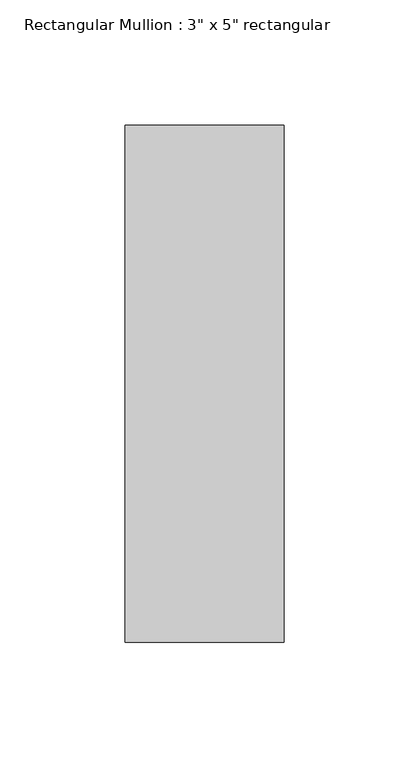
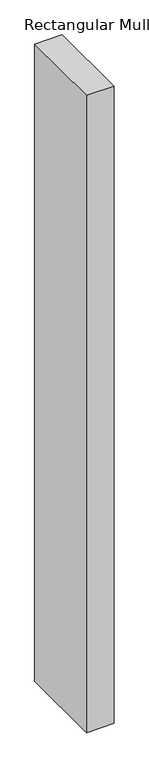
"""IFC4 building model written with IfcOpenShell, lengths in millimetres: member geometry."""

from ifc_helpers import new_model, si_unit, frame, origin, place, context, project, spatial, polyline, outline, extrude, source, transform, mapped, element, save


def member_70625f3a(model_context):
    return source(origin(), model_context, "Body", "SweptSolid", [
        extrude(outline(polyline([(0.0, 90.551), (0.0, -115.951), (-63.5, -115.951), (-63.5, 90.551), (0.0, 90.551)])), frame((0.0, 0.0, -1555.75), z_axis=(0.0, 0.0, 1.0), x_axis=(1.0, 0.0, 0.0)), (0.0, 0.0, 1.0), 1555.75),
    ])


if __name__ == "__main__":
    model = new_model("IFC4")
    model_context = context("Model", 3, world=origin())
    ifc_project = project(units=[si_unit("LENGTHUNIT", "METRE", prefix="MILLI")], contexts=[model_context])
    site = spatial("IfcSite", under=ifc_project)
    building = spatial("IfcBuilding", under=site)
    placement = place(None, origin())
    member_shape = member_70625f3a(model_context)
    element("IfcMember", 1, ObjectType="Rectangular Mullion : 3\" x 5\" rectangular", at=placement, inside=building, context=model_context, shape_type="MappedRepresentation", body=[
        mapped(member_shape, transform((0.0, 0.0, 0.0), x_axis=(1.0, 0.0, 0.0), y_axis=(0.0, 1.0, 0.0), z_axis=(0.0, 0.0, 1.0))),
    ])
    save(model, "model.ifc")
